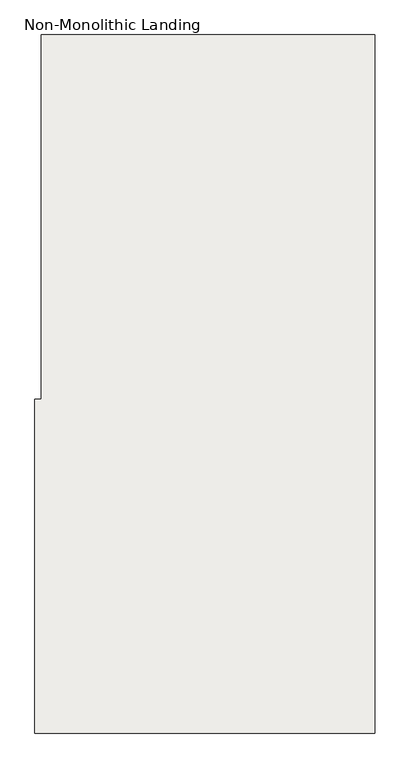
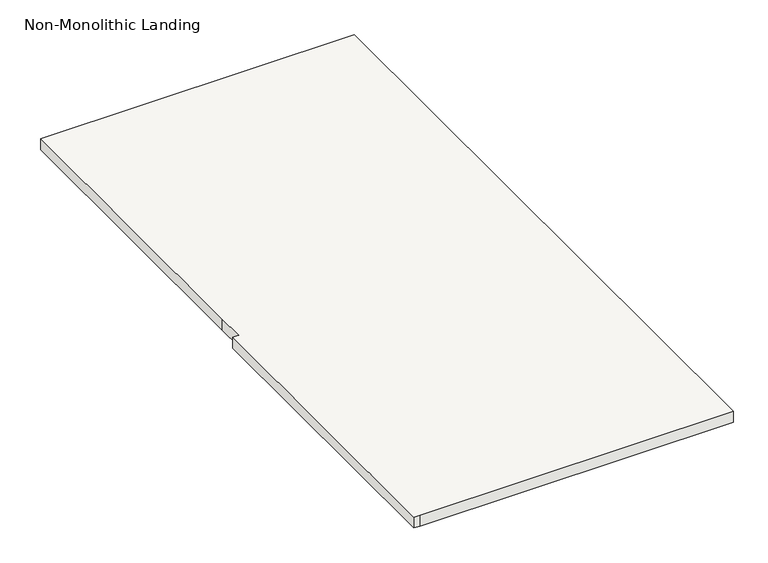
"""IFC4 building model written with IfcOpenShell, lengths in millimetres: slab geometry, Non-Monolithic Landing."""

from ifc_helpers import new_model, si_unit, frame, origin, place, context, project, spatial, polyline, outline, extrude, source, transform, mapped, element, save


def non_monolithic_landing_abde29a3(model_context):
    return source(origin(), model_context, "Body", "SweptSolid", [
        extrude(outline(polyline([(-319703.5918555, 139537.1350981), (-318331.9918555, 139537.1350981), (-318331.9918555, 136666.9350981), (-319703.5918555, 136666.9350981), (-319728.9918555, 136666.9350981), (-319728.9918555, 138038.5350981), (-319703.5918555, 138038.5350981), (-319703.5918555, 138165.5350981), (-319703.5918555, 139537.1350981)])), frame((0.0, 0.0, -772.6947368), z_axis=(0.0, 0.0, 1.0), x_axis=(1.0, 0.0, 0.0)), (0.0, 0.0, 1.0), 50.8),
    ])


if __name__ == "__main__":
    model = new_model("IFC4")
    model_context = context("Model", 3, world=origin())
    ifc_project = project(units=[si_unit("LENGTHUNIT", "METRE", prefix="MILLI")], contexts=[model_context])
    site = spatial("IfcSite", under=ifc_project)
    building = spatial("IfcBuilding", under=site)
    placement = place(None, origin())
    non_monolithic_landing_shape = non_monolithic_landing_abde29a3(model_context)
    element("IfcSlab", 1, ObjectType="Non-Monolithic Landing", at=placement, inside=building, context=model_context, shape_type="MappedRepresentation", body=[
        mapped(non_monolithic_landing_shape, transform((0.0, 0.0, 0.0), x_axis=(1.0, 0.0, 0.0), y_axis=(0.0, 1.0, 0.0), z_axis=(0.0, 0.0, 1.0))),
    ])
    save(model, "model.ifc")
